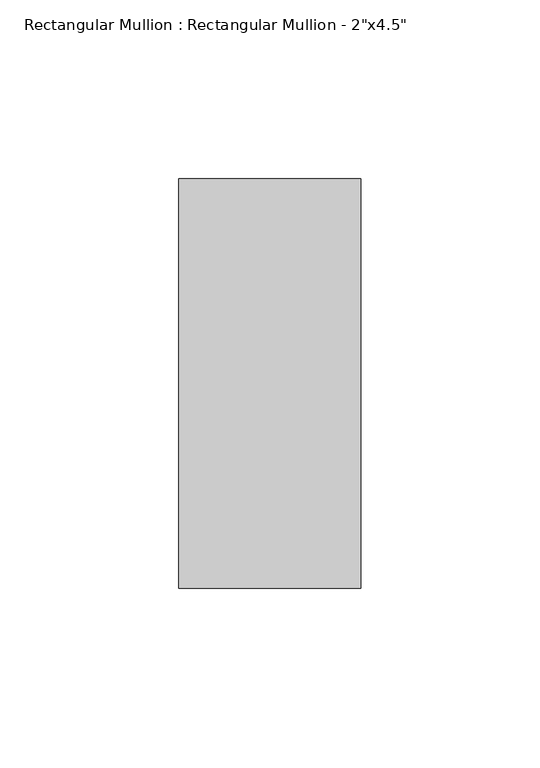
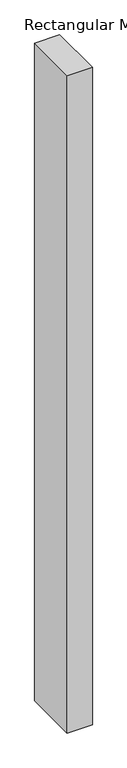
"""IFC4 building model written with IfcOpenShell, lengths in millimetres: member geometry."""

from ifc_helpers import new_model, si_unit, frame, origin, place, context, project, spatial, polyline, outline, extrude, source, transform, mapped, element, save


def member_eb11de90(model_context):
    return source(origin(), model_context, "Body", "SweptSolid", [
        extrude(outline(polyline([(0.0, 57.15), (0.0, -57.15), (-50.8, -57.15), (-50.8, 57.15), (0.0, 57.15)])), frame((0.0, 0.0, -1409.7), z_axis=(0.0, 0.0, 1.0), x_axis=(1.0, 0.0, 0.0)), (0.0, 0.0, 1.0), 1409.7),
    ])


if __name__ == "__main__":
    model = new_model("IFC4")
    model_context = context("Model", 3, world=origin())
    ifc_project = project(units=[si_unit("LENGTHUNIT", "METRE", prefix="MILLI")], contexts=[model_context])
    site = spatial("IfcSite", under=ifc_project)
    building = spatial("IfcBuilding", under=site)
    placement = place(None, origin())
    member_shape = member_eb11de90(model_context)
    element("IfcMember", 1, ObjectType="Rectangular Mullion : Rectangular Mullion - 2\"x4.5\"", at=placement, inside=building, context=model_context, shape_type="MappedRepresentation", body=[
        mapped(member_shape, transform((0.0, 0.0, 0.0), x_axis=(1.0, 0.0, 0.0), y_axis=(0.0, 1.0, 0.0), z_axis=(0.0, 0.0, 1.0))),
    ])
    save(model, "model.ifc")
